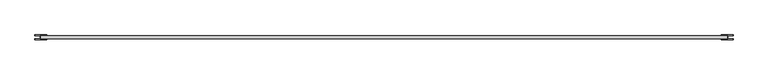
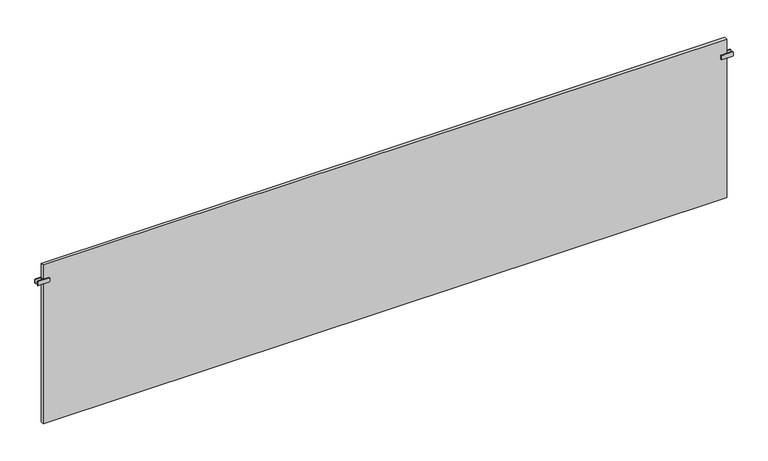
"""IFC4 building model written with IfcOpenShell, lengths in millimetres: plate geometry."""

from ifc_helpers import new_model, si_unit, point, frame, frame_2d, origin, origin_with_axes, place, context, project, spatial, polyline, circle_curve, trimmed, segment, composite_curve, outline, extrude, source, transform, mapped, element, save


def plate_4492c0f0(model_context):
    return source(origin(), model_context, "Body", "SweptSolid", [
        extrude(outline(polyline([(-1997.5, -8.75), (-1997.5, 8.75), (-1992.5, 8.75), (-1992.5, -8.75), (-1997.5, -8.75)])), frame((0.0, 0.0, 866.5), z_axis=(0.0, 0.0, 1.0), x_axis=(1.0, 0.0, 0.0)), (0.0, 0.0, 1.0), 25.0),
        extrude(outline(composite_curve([segment(trimmed(circle_curve(frame_2d((869.5, -1963.0)), 3.0), [point((866.5, -1963.0))], [point((869.5, -1960.0))], False, "CARTESIAN"), True, "CONTINUOUS"), segment(polyline([(869.5, -1960.0), (888.5, -1960.0)]), True, "CONTINUOUS"), segment(trimmed(circle_curve(frame_2d((888.5, -1963.0)), 3.0), [point((888.5, -1960.0))], [point((891.5, -1963.0))], False, "CARTESIAN"), True, "CONTINUOUS"), segment(polyline([(891.5, -1963.0), (891.5, -2027.0)]), True, "CONTINUOUS"), segment(trimmed(circle_curve(frame_2d((888.5, -2027.0)), 3.0), [point((891.5, -2027.0))], [point((888.5, -2030.0))], False, "CARTESIAN"), True, "CONTINUOUS"), segment(polyline([(888.5, -2030.0), (869.5, -2030.0)]), True, "CONTINUOUS"), segment(trimmed(circle_curve(frame_2d((869.5, -2027.0)), 3.0), [point((869.5, -2030.0))], [point((866.5, -2027.0))], False, "CARTESIAN"), True, "CONTINUOUS"), segment(polyline([(866.5, -2027.0), (866.5, -1963.0)]), True, "CONTINUOUS")], self_intersect=False)), frame((0.0, 8.75, 0.0), z_axis=(0.0, 1.0, 0.0), x_axis=(0.0, 0.0, 1.0)), (0.0, 0.0, 1.0), 5.0),
        extrude(outline(composite_curve([segment(trimmed(circle_curve(frame_2d((869.5, -1963.0)), 3.0), [point((866.5, -1963.0))], [point((869.5, -1960.0))], False, "CARTESIAN"), True, "CONTINUOUS"), segment(polyline([(869.5, -1960.0), (888.5, -1960.0)]), True, "CONTINUOUS"), segment(trimmed(circle_curve(frame_2d((888.5, -1963.0)), 3.0), [point((888.5, -1960.0))], [point((891.5, -1963.0))], False, "CARTESIAN"), True, "CONTINUOUS"), segment(polyline([(891.5, -1963.0), (891.5, -2027.0)]), True, "CONTINUOUS"), segment(trimmed(circle_curve(frame_2d((888.5, -2027.0)), 3.0), [point((891.5, -2027.0))], [point((888.5, -2030.0))], False, "CARTESIAN"), True, "CONTINUOUS"), segment(polyline([(888.5, -2030.0), (869.5, -2030.0)]), True, "CONTINUOUS"), segment(trimmed(circle_curve(frame_2d((869.5, -2027.0)), 3.0), [point((869.5, -2030.0))], [point((866.5, -2027.0))], False, "CARTESIAN"), True, "CONTINUOUS"), segment(polyline([(866.5, -2027.0), (866.5, -1963.0)]), True, "CONTINUOUS")], self_intersect=False)), frame((0.0, -13.75, 0.0), z_axis=(0.0, 1.0, 0.0), x_axis=(0.0, 0.0, 1.0)), (0.0, 0.0, 1.0), 5.0),
        extrude(outline(polyline([(1997.5, -8.75), (1992.5, -8.75), (1992.5, 8.75), (1997.5, 8.75), (1997.5, -8.75)])), frame((0.0, 0.0, 866.5), z_axis=(0.0, 0.0, 1.0), x_axis=(1.0, 0.0, 0.0)), (0.0, 0.0, 1.0), 25.0),
        extrude(outline(composite_curve([segment(polyline([(866.5, 1963.0), (866.5, 2027.0)]), True, "CONTINUOUS"), segment(trimmed(circle_curve(frame_2d((869.5, 2027.0)), 3.0), [point((866.5, 2027.0))], [point((869.5, 2030.0))], False, "CARTESIAN"), True, "CONTINUOUS"), segment(polyline([(869.5, 2030.0), (888.5, 2030.0)]), True, "CONTINUOUS"), segment(trimmed(circle_curve(frame_2d((888.5, 2027.0)), 3.0), [point((888.5, 2030.0))], [point((891.5, 2027.0))], False, "CARTESIAN"), True, "CONTINUOUS"), segment(polyline([(891.5, 2027.0), (891.5, 1963.0)]), True, "CONTINUOUS"), segment(trimmed(circle_curve(frame_2d((888.5, 1963.0)), 3.0), [point((891.5, 1963.0))], [point((888.5, 1960.0))], False, "CARTESIAN"), True, "CONTINUOUS"), segment(polyline([(888.5, 1960.0), (869.5, 1960.0)]), True, "CONTINUOUS"), segment(trimmed(circle_curve(frame_2d((869.5, 1963.0)), 3.0), [point((869.5, 1960.0))], [point((866.5, 1963.0))], False, "CARTESIAN"), True, "CONTINUOUS")], self_intersect=False)), frame((0.0, 8.75, 0.0), z_axis=(0.0, 1.0, 0.0), x_axis=(0.0, 0.0, 1.0)), (0.0, 0.0, 1.0), 5.0),
        extrude(outline(composite_curve([segment(polyline([(866.5, 1963.0), (866.5, 2027.0)]), True, "CONTINUOUS"), segment(trimmed(circle_curve(frame_2d((869.5, 2027.0)), 3.0), [point((866.5, 2027.0))], [point((869.5, 2030.0))], False, "CARTESIAN"), True, "CONTINUOUS"), segment(polyline([(869.5, 2030.0), (888.5, 2030.0)]), True, "CONTINUOUS"), segment(trimmed(circle_curve(frame_2d((888.5, 2027.0)), 3.0), [point((888.5, 2030.0))], [point((891.5, 2027.0))], False, "CARTESIAN"), True, "CONTINUOUS"), segment(polyline([(891.5, 2027.0), (891.5, 1963.0)]), True, "CONTINUOUS"), segment(trimmed(circle_curve(frame_2d((888.5, 1963.0)), 3.0), [point((891.5, 1963.0))], [point((888.5, 1960.0))], False, "CARTESIAN"), True, "CONTINUOUS"), segment(polyline([(888.5, 1960.0), (869.5, 1960.0)]), True, "CONTINUOUS"), segment(trimmed(circle_curve(frame_2d((869.5, 1963.0)), 3.0), [point((869.5, 1960.0))], [point((866.5, 1963.0))], False, "CARTESIAN"), True, "CONTINUOUS")], self_intersect=False)), frame((0.0, -13.75, 0.0), z_axis=(0.0, 1.0, 0.0), x_axis=(0.0, 0.0, 1.0)), (0.0, 0.0, 1.0), 5.0),
        extrude(outline(polyline([(1995.0, 8.75), (1995.0, -8.75), (-1995.0, -8.75), (-1995.0, 8.75), (1995.0, 8.75)])), origin_with_axes(), (0.0, 0.0, 1.0), 979.0),
    ])


if __name__ == "__main__":
    model = new_model("IFC4")
    model_context = context("Model", 3, world=origin())
    ifc_project = project(units=[si_unit("LENGTHUNIT", "METRE", prefix="MILLI")], contexts=[model_context])
    site = spatial("IfcSite", under=ifc_project)
    building = spatial("IfcBuilding", under=site)
    placement = place(None, origin())
    plate_shape = plate_4492c0f0(model_context)
    element("IfcPlate", 1, at=placement, inside=building, context=model_context, shape_type="MappedRepresentation", body=[
        mapped(plate_shape, transform((0.0, 0.0, 0.0), x_axis=(1.0, 0.0, 0.0), y_axis=(0.0, 1.0, 0.0), z_axis=(0.0, 0.0, 1.0))),
    ])
    save(model, "model.ifc")
